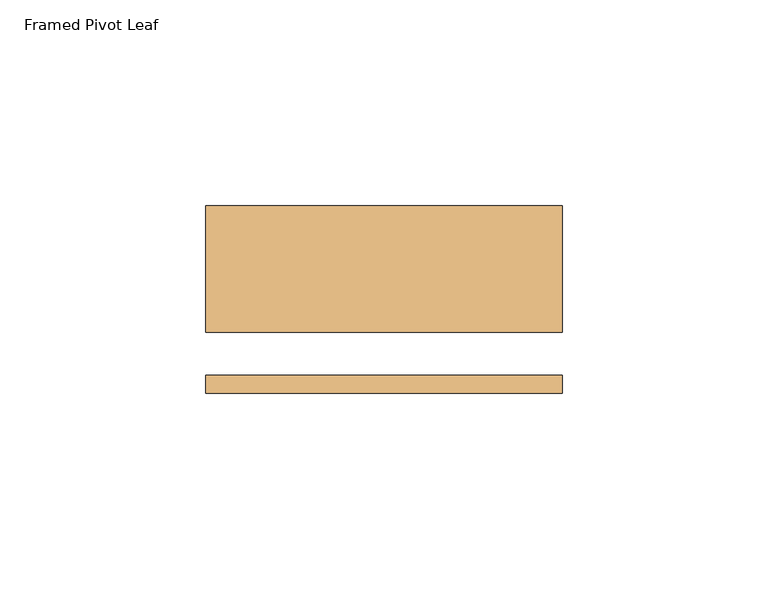
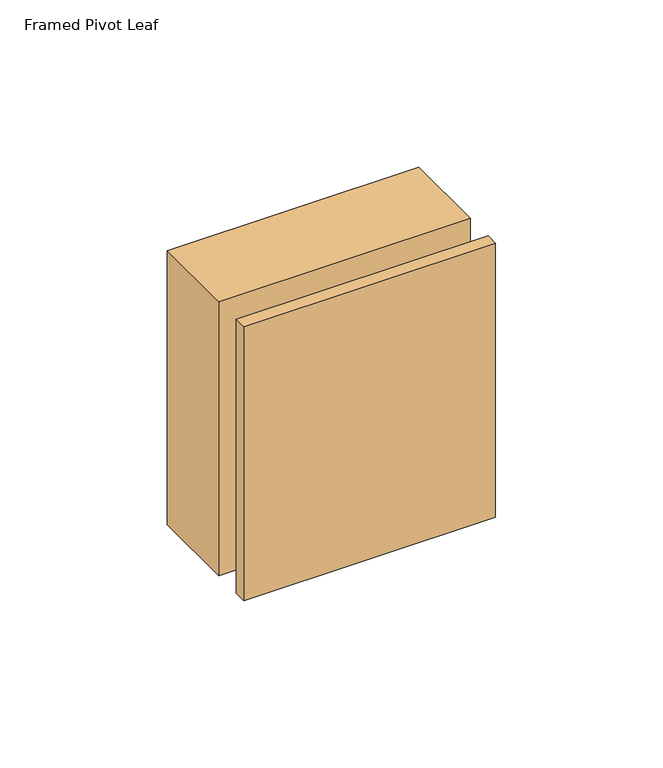
"""IFC4 building model written with IfcOpenShell, lengths in millimetres: door geometry, Framed Pivot Leaf."""

from ifc_helpers import new_model, si_unit, origin, origin_with_axes, place, context, project, spatial, polyline, outline, extrude, source, transform, mapped, element, save


def framed_pivot_leaf_ed56785b(model_context):
    return source(origin(), model_context, "Body", "SweptSolid", [
        extrude(outline(polyline([(-65.0110577, 21.9583), (21.8389423, 21.9583), (21.8389423, -8.8163), (-65.0110577, -8.8163), (-65.0110577, 21.9583)])), origin_with_axes(), (0.0, 0.0, 1.0), 99.9999),
        extrude(outline(polyline([(21.8389423, -19.3194), (21.8389423, -23.7363), (-65.0110577, -23.7363), (-65.0110577, -19.3194), (21.8389423, -19.3194)])), origin_with_axes(), (0.0, 0.0, 1.0), 99.9999),
    ])


if __name__ == "__main__":
    model = new_model("IFC4")
    model_context = context("Model", 3, world=origin())
    ifc_project = project(units=[si_unit("LENGTHUNIT", "METRE", prefix="MILLI")], contexts=[model_context])
    site = spatial("IfcSite", under=ifc_project)
    building = spatial("IfcBuilding", under=site)
    placement = place(None, origin())
    framed_pivot_leaf_shape = framed_pivot_leaf_ed56785b(model_context)
    element("IfcDoor", 1, ObjectType="Framed Pivot Leaf", at=placement, inside=building, context=model_context, shape_type="MappedRepresentation", body=[
        mapped(framed_pivot_leaf_shape, transform((0.0, 0.0, 0.0), x_axis=(1.0, 0.0, 0.0), y_axis=(0.0, 1.0, 0.0), z_axis=(0.0, 0.0, 1.0))),
    ])
    save(model, "model.ifc")
